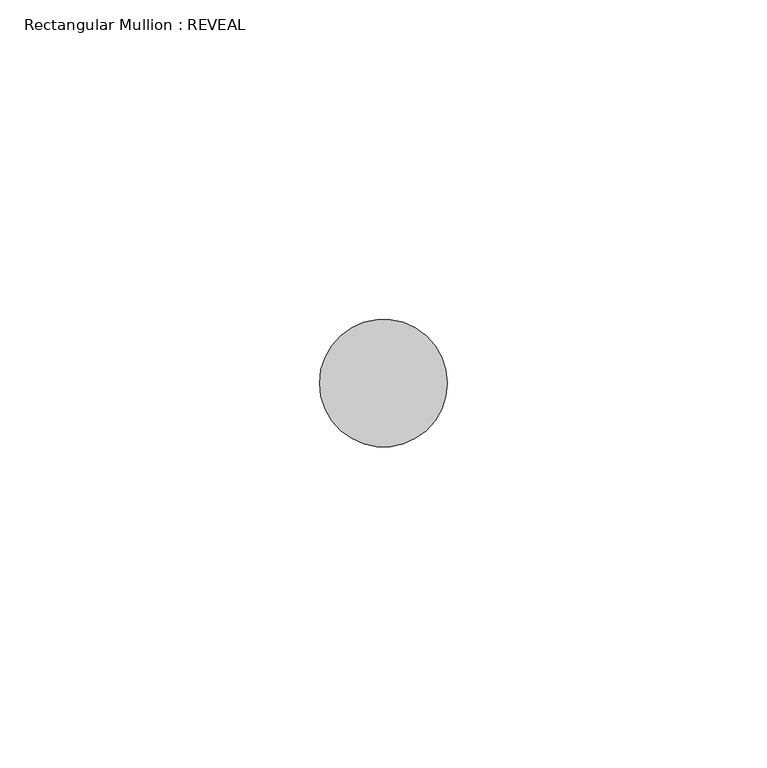
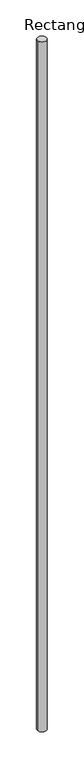
"""IFC4 building model written with IfcOpenShell, lengths in millimetres: member geometry, Rectangular Mullion : REVEAL."""

from ifc_helpers import new_model, si_unit, point, frame, frame_2d, origin, place, context, project, spatial, circle_curve, trimmed, segment, composite_curve, outline, extrude, source, transform, mapped, element, save


def rectangular_mullion_reveal_27ad47cf(model_context):
    return source(origin(), model_context, "Body", "SweptSolid", [
        extrude(outline(composite_curve([segment(trimmed(circle_curve(frame_2d((0.0, 50.0)), 10.0), [point((10.0, 50.0))], [point((-10.0, 50.0))], False, "CARTESIAN"), True, "CONTINUOUS"), segment(trimmed(circle_curve(frame_2d((0.0, 50.0)), 10.0), [point((-10.0, 50.0))], [point((10.0, 50.0))], False, "CARTESIAN"), True, "CONTINUOUS")], self_intersect=False)), frame((0.0, 0.0, -1594.445853), z_axis=(0.0, 0.0, 1.0), x_axis=(1.0, 0.0, 0.0)), (0.0, 0.0, 1.0), 1594.445853),
    ])


if __name__ == "__main__":
    model = new_model("IFC4")
    model_context = context("Model", 3, world=origin())
    ifc_project = project(units=[si_unit("LENGTHUNIT", "METRE", prefix="MILLI")], contexts=[model_context])
    site = spatial("IfcSite", under=ifc_project)
    building = spatial("IfcBuilding", under=site)
    placement = place(None, origin())
    rectangular_mullion_reveal_shape = rectangular_mullion_reveal_27ad47cf(model_context)
    element("IfcMember", 1, ObjectType="Rectangular Mullion : REVEAL", at=placement, inside=building, context=model_context, shape_type="MappedRepresentation", body=[
        mapped(rectangular_mullion_reveal_shape, transform((0.0, 0.0, 0.0), x_axis=(1.0, 0.0, 0.0), y_axis=(0.0, 1.0, 0.0), z_axis=(0.0, 0.0, 1.0))),
    ])
    save(model, "model.ifc")
